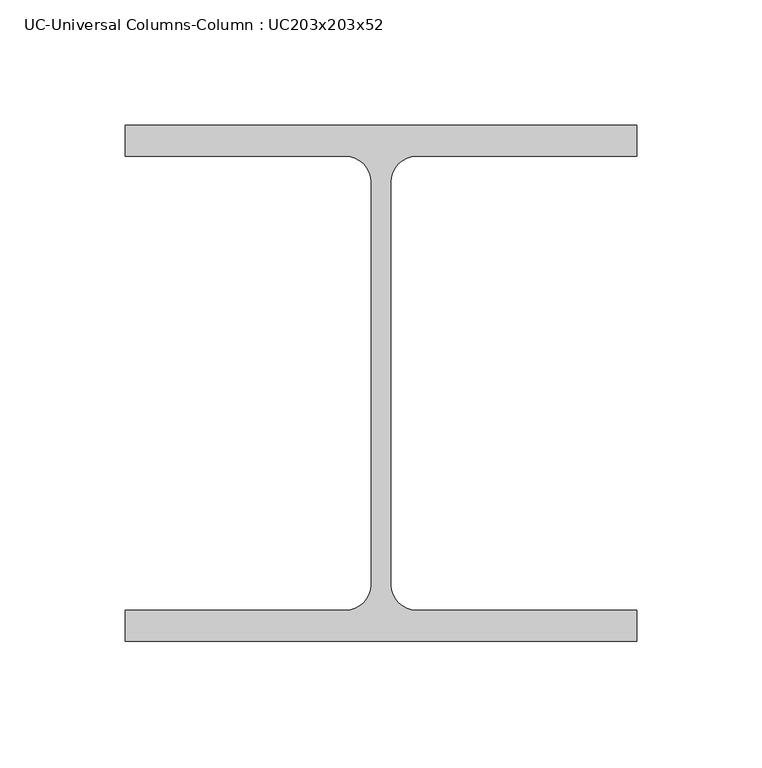
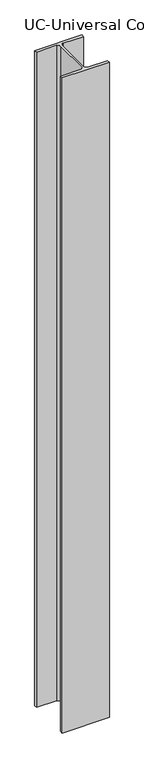
"""IFC4 building model written with IfcOpenShell, lengths in millimetres: column geometry, UC-Universal Columns-Column : UC203x203x52."""

from ifc_helpers import new_model, si_unit, point, frame_2d, origin, origin_with_axes, place, context, project, spatial, polyline, circle_curve, trimmed, segment, composite_curve, outline, extrude, source, transform, mapped, element, save


def uc_universal_columns_column_uc203x203x52_dad9977e(model_context):
    return source(origin(), model_context, "Body", "SweptSolid", [
        extrude(outline(composite_curve([segment(polyline([(102.15, 103.1), (102.15, 90.6), (14.15, 90.6)]), True, "CONTINUOUS"), segment(trimmed(circle_curve(frame_2d((14.15, 80.4)), 10.2), [point((14.15, 90.6))], [point((3.95, 80.4))], True, "CARTESIAN"), True, "CONTINUOUS"), segment(polyline([(3.95, 80.4), (3.95, -80.4)]), True, "CONTINUOUS"), segment(trimmed(circle_curve(frame_2d((14.15, -80.4)), 10.2), [point((3.95, -80.4))], [point((14.15, -90.6))], True, "CARTESIAN"), True, "CONTINUOUS"), segment(polyline([(14.15, -90.6), (102.15, -90.6), (102.15, -103.1), (-102.15, -103.1), (-102.15, -90.6), (-14.15, -90.6)]), True, "CONTINUOUS"), segment(trimmed(circle_curve(frame_2d((-14.15, -80.4)), 10.2), [point((-14.15, -90.6))], [point((-3.95, -80.4))], True, "CARTESIAN"), True, "CONTINUOUS"), segment(polyline([(-3.95, -80.4), (-3.95, 80.4)]), True, "CONTINUOUS"), segment(trimmed(circle_curve(frame_2d((-14.15, 80.4)), 10.2), [point((-3.95, 80.4))], [point((-14.15, 90.6))], True, "CARTESIAN"), True, "CONTINUOUS"), segment(polyline([(-14.15, 90.6), (-102.15, 90.6), (-102.15, 103.1), (102.15, 103.1)]), True, "CONTINUOUS")], self_intersect=False)), origin_with_axes(), (0.0, 0.0, 1.0), 3000.0),
    ])


if __name__ == "__main__":
    model = new_model("IFC4")
    model_context = context("Model", 3, world=origin())
    ifc_project = project(units=[si_unit("LENGTHUNIT", "METRE", prefix="MILLI")], contexts=[model_context])
    site = spatial("IfcSite", under=ifc_project)
    building = spatial("IfcBuilding", under=site)
    placement = place(None, origin())
    uc_universal_columns_column_uc203x203x52_shape = uc_universal_columns_column_uc203x203x52_dad9977e(model_context)
    element("IfcColumn", 1, ObjectType="UC-Universal Columns-Column : UC203x203x52", at=placement, inside=building, context=model_context, shape_type="MappedRepresentation", body=[
        mapped(uc_universal_columns_column_uc203x203x52_shape, transform((0.0, 0.0, 0.0), x_axis=(1.0, 0.0, 0.0), y_axis=(0.0, 1.0, 0.0), z_axis=(0.0, 0.0, 1.0))),
    ])
    save(model, "model.ifc")
